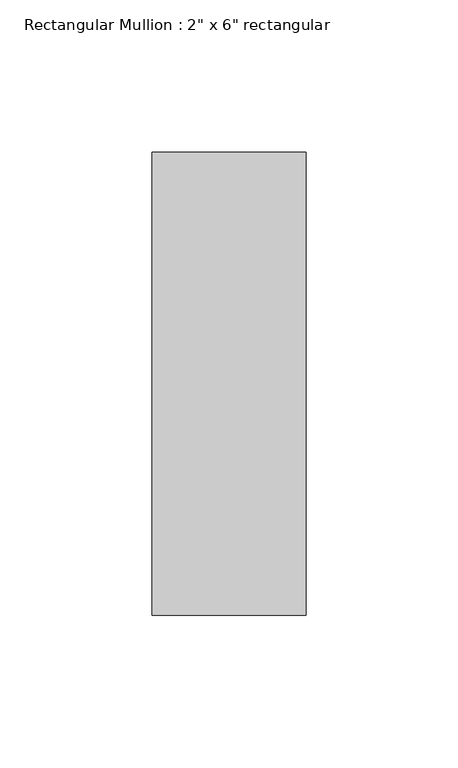
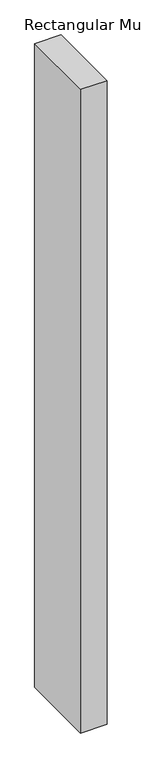
"""IFC4 building model written with IfcOpenShell, lengths in millimetres: member geometry."""

from ifc_helpers import new_model, si_unit, frame, origin, place, context, project, spatial, polyline, outline, extrude, source, transform, mapped, element, save


def member_58048b4e(model_context):
    return source(origin(), model_context, "Body", "SweptSolid", [
        extrude(outline(polyline([(0.0, 76.2), (0.0, -76.2), (-50.8, -76.2), (-50.8, 76.2), (0.0, 76.2)])), frame((0.0, 0.0, -1303.8666667), z_axis=(0.0, 0.0, 1.0), x_axis=(1.0, 0.0, 0.0)), (0.0, 0.0, 1.0), 1303.8666667),
    ])


if __name__ == "__main__":
    model = new_model("IFC4")
    model_context = context("Model", 3, world=origin())
    ifc_project = project(units=[si_unit("LENGTHUNIT", "METRE", prefix="MILLI")], contexts=[model_context])
    site = spatial("IfcSite", under=ifc_project)
    building = spatial("IfcBuilding", under=site)
    placement = place(None, origin())
    member_shape = member_58048b4e(model_context)
    element("IfcMember", 1, ObjectType="Rectangular Mullion : 2\" x 6\" rectangular", at=placement, inside=building, context=model_context, shape_type="MappedRepresentation", body=[
        mapped(member_shape, transform((0.0, 0.0, 0.0), x_axis=(1.0, 0.0, 0.0), y_axis=(0.0, 1.0, 0.0), z_axis=(0.0, 0.0, 1.0))),
    ])
    save(model, "model.ifc")
